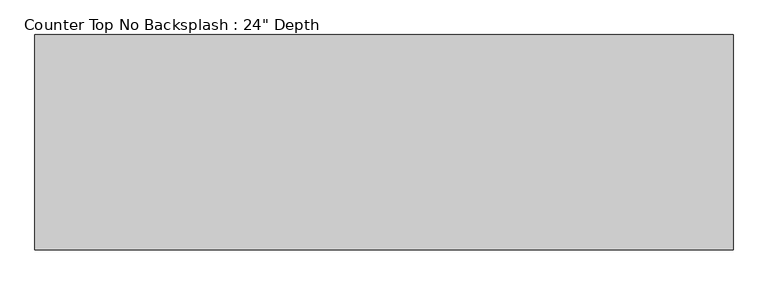
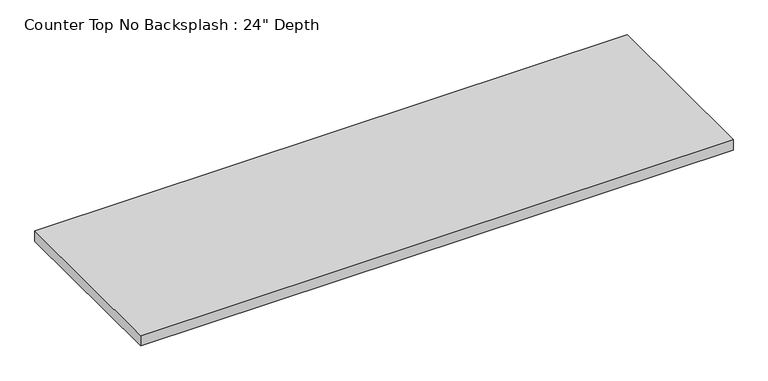
"""IFC4 building model written with IfcOpenShell, lengths in millimetres: furniture geometry."""

from ifc_helpers import new_model, si_unit, frame, origin, place, context, project, spatial, polyline, outline, extrude, source, transform, mapped, element, save


def furniture_538519a1(model_context):
    return source(origin(), model_context, "Body", "SweptSolid", [
        extrude(outline(polyline([(856.9377049, 0.0), (856.9377049, -635.0), (-1200.4622951, -635.0), (-1200.4622951, 0.0), (856.9377049, 0.0)])), frame((0.0, 0.0, 876.3), z_axis=(0.0, 0.0, 1.0), x_axis=(1.0, 0.0, 0.0)), (0.0, 0.0, 1.0), 38.1),
    ])


if __name__ == "__main__":
    model = new_model("IFC4")
    model_context = context("Model", 3, world=origin())
    ifc_project = project(units=[si_unit("LENGTHUNIT", "METRE", prefix="MILLI")], contexts=[model_context])
    site = spatial("IfcSite", under=ifc_project)
    building = spatial("IfcBuilding", under=site)
    placement = place(None, origin())
    furniture_shape = furniture_538519a1(model_context)
    element("IfcFurniture", 1, ObjectType="Counter Top No Backsplash : 24\" Depth", at=placement, inside=building, context=model_context, shape_type="MappedRepresentation", body=[
        mapped(furniture_shape, transform((0.0, 0.0, 0.0), x_axis=(1.0, 0.0, 0.0), y_axis=(0.0, 1.0, 0.0), z_axis=(0.0, 0.0, 1.0))),
    ])
    save(model, "model.ifc")
